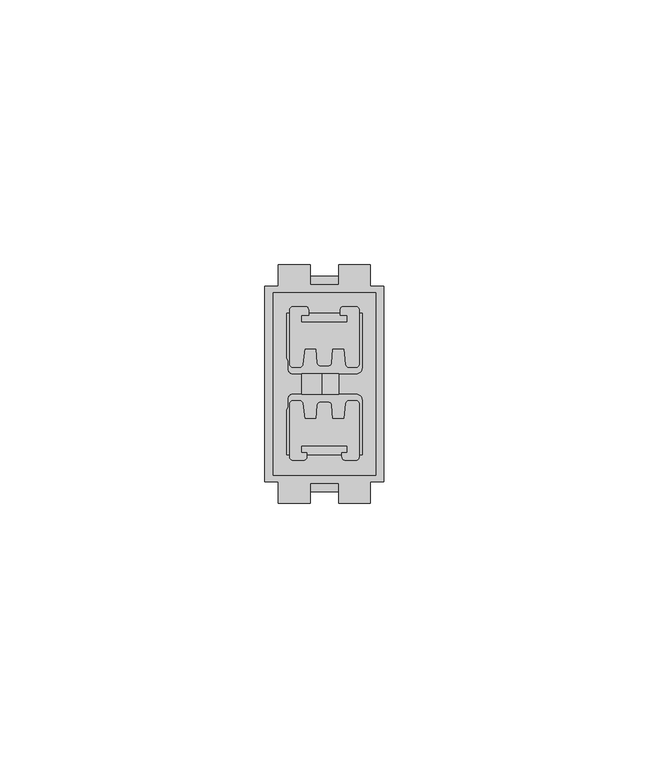
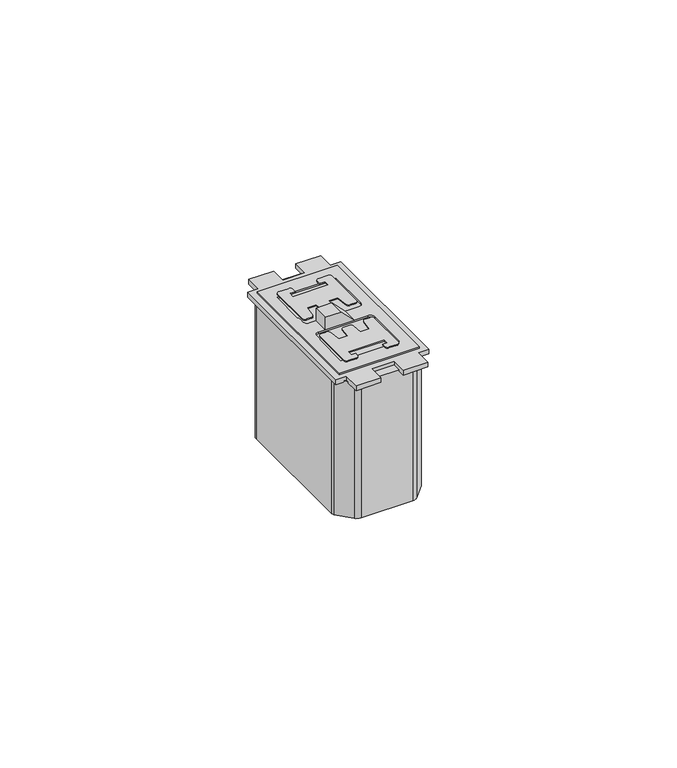
"""IFC4 building model written with IfcOpenShell, lengths in millimetres: proxy geometry."""

import ifcopenshell
import ifcopenshell.guid

model = None  # the IFC model being written
_history = None  # IfcOwnerHistory: only IFC2X3 demands one
_inside = {}  # id of a spatial element -> (the spatial element, [elements in it])
_under = {}  # id of a project, library or spatial element -> (it, [spatial elements below it])
_declared = {}  # id of a project -> (the project, [libraries it declares])
_typed = {}  # id of a type object -> (the type object, [elements of that type])
_made_of = {}  # id of a material, layer set ... -> (it, [elements and type objects made of it])


def new_model(schema):
    """Start an empty IFC model of exactly this schema.

    Asked for "IFC4X3", IfcOpenShell would pick the latest addendum, in which some entities
    have other attributes; the version numbers below select the first issue.
    IFC2X3 requires an IfcOwnerHistory on every rooted entity: one is made here for all.
    """
    global model, _history
    if schema == "IFC4X3":
        model = ifcopenshell.file(schema_version=(4, 3, 0, 0))
    else:
        model = ifcopenshell.file(schema=schema)
    _inside.clear()
    _under.clear()
    _declared.clear()
    _typed.clear()
    _made_of.clear()
    _history = None
    if model.schema == "IFC2X3":
        org = make("IfcOrganization", Name="unknown")
        user = make(
            "IfcPersonAndOrganization",
            ThePerson=make("IfcPerson", FamilyName="unknown"),
            TheOrganization=org,
        )
        app = make(
            "IfcApplication",
            ApplicationDeveloper=org,
            Version="unknown",
            ApplicationFullName="unknown",
            ApplicationIdentifier="unknown",
        )
        _history = make(
            "IfcOwnerHistory",
            OwningUser=user,
            OwningApplication=app,
            ChangeAction="ADDED",
            CreationDate=0,
        )
    return model


def make(cls, **values):
    """One entity of the class cls with the attributes given. An attribute that is None is left unset."""
    return model.create_entity(
        cls, **{name: value for name, value in values.items() if value is not None}
    )


def rooted(cls, **values):
    """An entity with a GlobalId (a new one), such as an element, a storey or a relation."""
    return make(cls, GlobalId=ifcopenshell.guid.new(), OwnerHistory=_history, **values)


def si_unit(unit_type, name, prefix=None):
    """IfcSIUnit, for example si_unit("LENGTHUNIT", "METRE", prefix="MILLI")."""
    return make("IfcSIUnit", UnitType=unit_type, Prefix=prefix, Name=name)


def assignment(units):
    """IfcUnitAssignment: the units of a project."""
    return None if units is None else make("IfcUnitAssignment", Units=units)


def point(xyz):
    """IfcCartesianPoint."""
    return None if xyz is None else make("IfcCartesianPoint", Coordinates=xyz)


def direction(xyz):
    """IfcDirection."""
    return None if xyz is None else make("IfcDirection", DirectionRatios=xyz)


def frame(location, z_axis=None, x_axis=None):
    """IfcAxis2Placement3D, a coordinate frame: its origin and axes. An axis left out is left unset."""
    return make(
        "IfcAxis2Placement3D",
        Location=point(location),
        Axis=direction(z_axis),
        RefDirection=direction(x_axis),
    )


def frame_2d(location, x_axis=None):
    """IfcAxis2Placement2D, a coordinate frame in the plane: its origin and x axis."""
    return make(
        "IfcAxis2Placement2D", Location=point(location), RefDirection=direction(x_axis)
    )


def origin():
    """The frame at (0, 0, 0) with its axes left unset."""
    return frame((0.0, 0.0, 0.0))


def origin_with_axes():
    """The frame at (0, 0, 0) with the z axis (0, 0, 1) and the x axis (1, 0, 0) written out."""
    return frame((0.0, 0.0, 0.0), z_axis=(0.0, 0.0, 1.0), x_axis=(1.0, 0.0, 0.0))


def place(relative_to, where):
    """IfcLocalPlacement: puts the frame where relative to a parent placement (None: the world)."""
    return make(
        "IfcLocalPlacement", PlacementRelTo=relative_to, RelativePlacement=where
    )


def context(
    kind, dimensions, precision=None, world=None, true_north=None, identifier=None
):
    """IfcGeometricRepresentationContext, for example the 3D "Model" context."""
    return make(
        "IfcGeometricRepresentationContext",
        ContextIdentifier=identifier,
        ContextType=kind,
        CoordinateSpaceDimension=dimensions,
        Precision=precision,
        WorldCoordinateSystem=world,
        TrueNorth=true_north,
    )


def project(units=None, contexts=None):
    """IfcProject with its units and contexts."""
    return rooted(
        "IfcProject",
        Name="project",
        RepresentationContexts=contexts,
        UnitsInContext=assignment(units),
    )


def spatial(cls, under=None, at=None, **own):
    """A site, building, storey or space (cls), placed at a placement, below another one or the project."""
    s = rooted(cls, ObjectPlacement=at, **own)
    if under is not None:
        _under.setdefault(under.id(), (under, []))[1].append(s)
    return s


def polyline(points):
    """IfcPolyline through the points."""
    return make("IfcPolyline", Points=[point(p) for p in points])


def circle_curve(where, radius):
    """IfcCircle in the frame where."""
    return make("IfcCircle", Position=where, Radius=radius)


def trimmed(basis, trim1, trim2, sense, master):
    """IfcTrimmedCurve: the piece of a basis curve between two trims."""
    return make(
        "IfcTrimmedCurve",
        BasisCurve=basis,
        Trim1=trim1,
        Trim2=trim2,
        SenseAgreement=sense,
        MasterRepresentation=master,
    )


def segment(curve, same_sense, transition):
    """IfcCompositeCurveSegment."""
    return make(
        "IfcCompositeCurveSegment",
        Transition=transition,
        SameSense=same_sense,
        ParentCurve=curve,
    )


def composite_curve(segments, self_intersect=None):
    """IfcCompositeCurve: segments joined end to end."""
    return make("IfcCompositeCurve", Segments=segments, SelfIntersect=self_intersect)


def outline(outer, holes=None, kind="AREA"):
    """IfcArbitraryClosedProfileDef: a profile drawn as a closed curve; with holes, ...WithVoids."""
    if holes is None:
        return make("IfcArbitraryClosedProfileDef", ProfileType=kind, OuterCurve=outer)
    return make(
        "IfcArbitraryProfileDefWithVoids",
        ProfileType=kind,
        OuterCurve=outer,
        InnerCurves=holes,
    )


def extrude(swept, where, along, depth):
    """IfcExtrudedAreaSolid: the profile swept, set in the frame where, extruded along a direction by depth."""
    return make(
        "IfcExtrudedAreaSolid",
        SweptArea=swept,
        Position=where,
        ExtrudedDirection=direction(along),
        Depth=depth,
    )


def shape(context_of_items, identifier, shape_type, items):
    """IfcShapeRepresentation: the items that make up one representation, for example the "Body"."""
    return make(
        "IfcShapeRepresentation",
        ContextOfItems=context_of_items,
        RepresentationIdentifier=identifier,
        RepresentationType=shape_type,
        Items=items,
    )


def source(mapping_origin, context_of_items, identifier, shape_type, items):
    """IfcRepresentationMap: a shape defined once, which mapped items show again and again."""
    return make(
        "IfcRepresentationMap",
        MappingOrigin=mapping_origin,
        MappedRepresentation=shape(context_of_items, identifier, shape_type, items),
    )


def transform(
    local_origin,
    x_axis=None,
    y_axis=None,
    z_axis=None,
    scale=None,
    scale2=None,
    scale3=None,
    uniform=True,
):
    """IfcCartesianTransformationOperator3D, or its non-uniform kind. x_axis, y_axis, z_axis: its Axis1, 2, 3."""
    if uniform:
        return make(
            "IfcCartesianTransformationOperator3D",
            Axis1=direction(x_axis),
            Axis2=direction(y_axis),
            LocalOrigin=point(local_origin),
            Scale=scale,
            Axis3=direction(z_axis),
        )
    return make(
        "IfcCartesianTransformationOperator3DnonUniform",
        Axis1=direction(x_axis),
        Axis2=direction(y_axis),
        LocalOrigin=point(local_origin),
        Scale=scale,
        Axis3=direction(z_axis),
        Scale2=scale2,
        Scale3=scale3,
    )


def mapped(mapping_source, mapping_target):
    """IfcMappedItem: shows the shape of a source again, moved by a transform."""
    return make(
        "IfcMappedItem", MappingSource=mapping_source, MappingTarget=mapping_target
    )


def made_of(thing, what):
    """Note that an element or type object is made of a material, layer set ...; save() writes the relation."""
    if what is not None:
        _made_of.setdefault(what.id(), (what, []))[1].append(thing)
    return thing


def element(
    cls,
    number,
    at=None,
    inside=None,
    cuts=None,
    type_object=None,
    material=None,
    context=None,
    identifier="Body",
    shape_type=None,
    held_by="IfcProductDefinitionShape",
    body=None,
    shapes=None,
    **own,
):
    """One element of the class cls, such as IfcWall. Its Tag is "e" and its number.

    at: its placement. inside: the storey or other place that contains it. cuts: it is an
    opening in that element (IfcRelVoidsElement). A single representation is given by context,
    identifier, shape_type and body (its items); several are given by shapes. held_by: the class
    of the entity that holds the representations. save() writes the other relations.
    """
    e = rooted(cls, Tag="e%d" % number, ObjectPlacement=at, **own)
    if body is not None:
        shapes = [shape(context, identifier, shape_type, body)]
    if shapes is not None:
        e.Representation = make(held_by, Representations=shapes)
    if inside is not None:
        _inside.setdefault(inside.id(), (inside, []))[1].append(e)
    if cuts is not None:
        rooted(
            "IfcRelVoidsElement", RelatingBuildingElement=cuts, RelatedOpeningElement=e
        )
    if type_object is not None:
        _typed.setdefault(type_object.id(), (type_object, []))[1].append(e)
    return made_of(e, material)


def aggregate(whole, parts):
    """IfcRelAggregates: a whole, such as a stair, and the parts it consists of."""
    return rooted("IfcRelAggregates", RelatingObject=whole, RelatedObjects=parts)


def save(model, path):
    """Write the relations noted so far, then the file.

    IfcRelAggregates (storeys below a building ...), IfcRelContainedInSpatialStructure (elements
    in a storey), IfcRelDefinesByType, IfcRelAssociatesMaterial and IfcRelDeclares: one each for
    every whole, place, type object, material and project.
    """
    for whole, parts in _under.values():
        aggregate(whole, parts)
    for where, things in _inside.values():
        rooted(
            "IfcRelContainedInSpatialStructure",
            RelatedElements=things,
            RelatingStructure=where,
        )
    for kind, things in _typed.values():
        rooted("IfcRelDefinesByType", RelatedObjects=things, RelatingType=kind)
    for what, things in _made_of.values():
        rooted("IfcRelAssociatesMaterial", RelatedObjects=things, RelatingMaterial=what)
    for by, libraries in _declared.values():
        rooted("IfcRelDeclares", RelatingContext=by, RelatedDefinitions=libraries)
    model.write(path)


def electrical_fixtures_3d863ec4(model_context):
    return source(origin(), model_context, "Body", "SweptSolid", [
        extrude(outline(polyline([(4.75, 7.0021845), (1.5736937, 7.0021845), (1.5736937, 13.9893543), (4.75, 10.813048), (4.75, 7.0021845)])), frame((0.0, 20.5776042, 0.0), z_axis=(0.0, 1.0, 0.0), x_axis=(0.0, 0.0, 1.0)), (0.0, 0.0, 1.0), 3.8447917),
        extrude(outline(composite_curve([segment(trimmed(circle_curve(frame_2d((5.2789012, 18.7487029)), 0.6009646), [point((4.6779366, 18.7487029))], [point((5.2789012, 19.3496676))], False, "CARTESIAN"), True, "CONTINUOUS"), segment(polyline([(5.2789012, 19.3496676), (6.560814, 19.3496676)]), True, "CONTINUOUS"), segment(trimmed(circle_curve(frame_2d((6.560814, 18.7099915)), 0.639676), [point((6.560814, 19.3496676))], [point((7.1814889, 18.8647431))], False, "CARTESIAN"), True, "CONTINUOUS"), segment(polyline([(7.1814889, 18.8647431), (7.546549, 15.8915672), (9.7492399, 15.8915672), (9.9342949, 18.5379774)]), True, "CONTINUOUS"), segment(trimmed(circle_curve(frame_2d((10.5204569, 18.4555977)), 0.5919226), [point((9.9342949, 18.5379774))], [point((10.5204569, 19.0475203))], False, "CARTESIAN"), True, "CONTINUOUS"), segment(polyline([(10.5204569, 19.0475203), (11.9795431, 19.0475203)]), True, "CONTINUOUS"), segment(trimmed(circle_curve(frame_2d((11.9795431, 18.4555977)), 0.5919226), [point((11.9795431, 19.0475203))], [point((12.5657051, 18.5379774))], False, "CARTESIAN"), True, "CONTINUOUS"), segment(polyline([(12.5657051, 18.5379774), (12.7507601, 15.8915672), (14.953451, 15.8915672), (15.3185111, 18.8647431)]), True, "CONTINUOUS"), segment(trimmed(circle_curve(frame_2d((15.939186, 18.7099915)), 0.639676), [point((15.3185111, 18.8647431))], [point((15.939186, 19.3496676))], False, "CARTESIAN"), True, "CONTINUOUS"), segment(polyline([(15.939186, 19.3496676), (17.2210988, 19.3496676)]), True, "CONTINUOUS"), segment(trimmed(circle_curve(frame_2d((17.2210988, 18.7487029)), 0.6009646), [point((17.2210988, 19.3496676))], [point((17.8220634, 18.7487029))], False, "CARTESIAN"), True, "CONTINUOUS"), segment(polyline([(17.8220634, 18.7487029), (17.8220634, 8.7498452)]), True, "CONTINUOUS"), segment(trimmed(circle_curve(frame_2d((17.194614, 8.7498452)), 0.6274493), [point((17.8220634, 8.7498452))], [point((17.194614, 8.1223958))], False, "CARTESIAN"), True, "CONTINUOUS"), segment(polyline([(17.194614, 8.1223958), (15.1791727, 8.1223958)]), True, "CONTINUOUS"), segment(trimmed(circle_curve(frame_2d((15.1791727, 8.736603)), 0.6142071), [point((15.1791727, 8.1223958))], [point((14.5649656, 8.736603))], False, "CARTESIAN"), True, "CONTINUOUS"), segment(polyline([(14.5649656, 8.736603), (14.5649656, 9.5309866), (15.5879276, 9.5309866), (15.5879276, 10.8291823), (6.9120724, 10.8291823), (6.9120724, 9.5309866), (7.9350344, 9.5309866), (7.9350344, 8.736603)]), True, "CONTINUOUS"), segment(trimmed(circle_curve(frame_2d((7.3208273, 8.736603)), 0.6142071), [point((7.9350344, 8.736603))], [point((7.3208273, 8.1223958))], False, "CARTESIAN"), True, "CONTINUOUS"), segment(polyline([(7.3208273, 8.1223958), (5.305386, 8.1223958)]), True, "CONTINUOUS"), segment(trimmed(circle_curve(frame_2d((5.305386, 8.7498452)), 0.6274493), [point((5.305386, 8.1223958))], [point((4.6779366, 8.7498452))], False, "CARTESIAN"), True, "CONTINUOUS"), segment(polyline([(4.6779366, 8.7498452), (4.6779366, 18.7487029)]), True, "CONTINUOUS")], self_intersect=False)), frame((0.0, 0.0, 1.5736937), z_axis=(0.0, 0.0, 1.0), x_axis=(1.0, 0.0, 0.0)), (0.0, 0.0, 1.0), 0.2763063),
        extrude(outline(composite_curve([segment(polyline([(4.6779366, 26.2512971), (4.6779366, 36.4949465)]), True, "CONTINUOUS"), segment(trimmed(circle_curve(frame_2d((5.305386, 36.4949465)), 0.6274493), [point((4.6779366, 36.4949465))], [point((5.305386, 37.1223958))], False, "CARTESIAN"), True, "CONTINUOUS"), segment(polyline([(5.305386, 37.1223958), (7.6357929, 37.1223958)]), True, "CONTINUOUS"), segment(trimmed(circle_curve(frame_2d((7.6357929, 36.5081887)), 0.6142071), [point((7.6357929, 37.1223958))], [point((8.25, 36.5081887))], False, "CARTESIAN"), True, "CONTINUOUS"), segment(polyline([(8.25, 36.5081887), (8.25, 35.4690134), (6.9120724, 35.4690134), (6.9120724, 34.1708177), (15.5879276, 34.1708177), (15.5879276, 35.4690134), (14.25, 35.4690134), (14.25, 36.5081887)]), True, "CONTINUOUS"), segment(trimmed(circle_curve(frame_2d((14.8642071, 36.5081887)), 0.6142071), [point((14.25, 36.5081887))], [point((14.8642071, 37.1223958))], False, "CARTESIAN"), True, "CONTINUOUS"), segment(polyline([(14.8642071, 37.1223958), (17.194614, 37.1223958)]), True, "CONTINUOUS"), segment(trimmed(circle_curve(frame_2d((17.194614, 36.4949465)), 0.6274493), [point((17.194614, 37.1223958))], [point((17.8220634, 36.4949465))], False, "CARTESIAN"), True, "CONTINUOUS"), segment(polyline([(17.8220634, 36.4949465), (17.8220634, 26.2512971)]), True, "CONTINUOUS"), segment(trimmed(circle_curve(frame_2d((17.2210988, 26.2512971)), 0.6009646), [point((17.8220634, 26.2512971))], [point((17.2210988, 25.6503324))], False, "CARTESIAN"), True, "CONTINUOUS"), segment(polyline([(17.2210988, 25.6503324), (15.939186, 25.6503324)]), True, "CONTINUOUS"), segment(trimmed(circle_curve(frame_2d((15.939186, 26.2900085)), 0.639676), [point((15.939186, 25.6503324))], [point((15.3185111, 26.1352569))], False, "CARTESIAN"), True, "CONTINUOUS"), segment(polyline([(15.3185111, 26.1352569), (14.953451, 29.1084328), (12.7507601, 29.1084328), (12.5657051, 26.4620226)]), True, "CONTINUOUS"), segment(trimmed(circle_curve(frame_2d((11.9795431, 26.5444023)), 0.5919226), [point((12.5657051, 26.4620226))], [point((11.9795431, 25.9524797))], False, "CARTESIAN"), True, "CONTINUOUS"), segment(polyline([(11.9795431, 25.9524797), (10.5204569, 25.9524797)]), True, "CONTINUOUS"), segment(trimmed(circle_curve(frame_2d((10.5204569, 26.5444023)), 0.5919226), [point((10.5204569, 25.9524797))], [point((9.9342949, 26.4620226))], False, "CARTESIAN"), True, "CONTINUOUS"), segment(polyline([(9.9342949, 26.4620226), (9.7492399, 29.1084328), (7.546549, 29.1084328), (7.1814889, 26.1352569)]), True, "CONTINUOUS"), segment(trimmed(circle_curve(frame_2d((6.560814, 26.2900085)), 0.639676), [point((7.1814889, 26.1352569))], [point((6.560814, 25.6503324))], False, "CARTESIAN"), True, "CONTINUOUS"), segment(polyline([(6.560814, 25.6503324), (5.2789012, 25.6503324)]), True, "CONTINUOUS"), segment(trimmed(circle_curve(frame_2d((5.2789012, 26.2512971)), 0.6009646), [point((5.2789012, 25.6503324))], [point((4.6779366, 26.2512971))], False, "CARTESIAN"), True, "CONTINUOUS")], self_intersect=False)), frame((0.0, 0.0, 1.5736937), z_axis=(0.0, 0.0, 1.0), x_axis=(1.0, 0.0, 0.0)), (0.0, 0.0, 1.0), 0.2763063),
        extrude(outline(polyline([(20.9310809, 39.7046168), (20.9310809, 5.2953832), (1.5689191, 5.2953832), (1.5689191, 39.7046168), (20.9310809, 39.7046168)]), holes=[composite_curve([segment(trimmed(circle_curve(frame_2d((2.700367, 26.4323958)), 1.7182136), [point((4.15, 27.3547961))], [point((4.4185806, 26.4323958))], False, "CARTESIAN"), True, "CONTINUOUS"), segment(polyline([(4.4185806, 26.4323958), (4.4185806, 25.2872263)]), True, "CONTINUOUS"), segment(trimmed(circle_curve(frame_2d((5.283411, 25.2872263)), 0.8648304), [point((4.4185806, 25.2872263))], [point((5.283411, 24.4223958))], True, "CARTESIAN"), True, "CONTINUOUS"), segment(polyline([(5.283411, 24.4223958), (17.2495844, 24.4223958)]), True, "CONTINUOUS"), segment(trimmed(circle_curve(frame_2d((17.2495844, 25.5228114)), 1.1004156), [point((17.2495844, 24.4223958))], [point((18.35, 25.5228114))], True, "CARTESIAN"), True, "CONTINUOUS"), segment(polyline([(18.35, 25.5228114), (18.35, 35.8223958), (4.15, 35.8223958), (4.15, 27.3547961)]), True, "CONTINUOUS")], self_intersect=False), composite_curve([segment(polyline([(4.15, 17.6452039), (4.15, 9.1776042), (18.35, 9.1776042), (18.35, 19.4771886)]), True, "CONTINUOUS"), segment(trimmed(circle_curve(frame_2d((17.2495844, 19.4771886)), 1.1004156), [point((18.35, 19.4771886))], [point((17.2495844, 20.5776042))], True, "CARTESIAN"), True, "CONTINUOUS"), segment(polyline([(17.2495844, 20.5776042), (5.283411, 20.5776042)]), True, "CONTINUOUS"), segment(trimmed(circle_curve(frame_2d((5.283411, 19.7127737)), 0.8648304), [point((5.283411, 20.5776042))], [point((4.4185806, 19.7127737))], True, "CARTESIAN"), True, "CONTINUOUS"), segment(polyline([(4.4185806, 19.7127737), (4.4185806, 18.5676042)]), True, "CONTINUOUS"), segment(trimmed(circle_curve(frame_2d((2.700367, 18.5676042)), 1.7182136), [point((4.4185806, 18.5676042))], [point((4.15, 17.6452039))], False, "CARTESIAN"), True, "CONTINUOUS")], self_intersect=False)]), frame((0.0, 0.0, 1.1865762), z_axis=(0.0, 0.0, 1.0), x_axis=(1.0, 0.0, 0.0)), (0.0, 0.0, 1.0), 0.3871175),
        extrude(outline(composite_curve([segment(trimmed(circle_curve(frame_2d((22.9785709, 22.0163771)), 28.0250427), [point((0.6708855, 38.9801677))], [point((3.6496058, 42.3090883))], False, "CARTESIAN"), True, "CONTINUOUS"), segment(trimmed(circle_curve(frame_2d((5.0058625, 40.8852084)), 1.9664349), [point((3.6496058, 42.3090883))], [point((5.0058625, 42.8516432))], False, "CARTESIAN"), True, "CONTINUOUS"), segment(polyline([(5.0058625, 42.8516432), (17.4941375, 42.8516432)]), True, "CONTINUOUS"), segment(trimmed(circle_curve(frame_2d((17.4941375, 40.8852084)), 1.9664349), [point((17.4941375, 42.8516432))], [point((18.8503942, 42.3090883))], False, "CARTESIAN"), True, "CONTINUOUS"), segment(trimmed(circle_curve(frame_2d((-0.4785709, 22.0163771)), 28.0250427), [point((18.8503942, 42.3090883))], [point((21.8291145, 38.9801677))], False, "CARTESIAN"), True, "CONTINUOUS"), segment(trimmed(circle_curve(frame_2d((20.8665201, 38.2481666)), 1.2093029), [point((21.8291145, 38.9801677))], [point((22.075823, 38.2481666))], False, "CARTESIAN"), True, "CONTINUOUS"), segment(polyline([(22.075823, 38.2481666), (22.075823, 6.7518334)]), True, "CONTINUOUS"), segment(trimmed(circle_curve(frame_2d((20.8665201, 6.7518334)), 1.2093029), [point((22.075823, 6.7518334))], [point((21.8291145, 6.0198323))], False, "CARTESIAN"), True, "CONTINUOUS"), segment(trimmed(circle_curve(frame_2d((-0.4785709, 22.9836229)), 28.0250427), [point((21.8291145, 6.0198323))], [point((18.8503942, 2.6909117))], False, "CARTESIAN"), True, "CONTINUOUS"), segment(trimmed(circle_curve(frame_2d((17.4941375, 4.1147916)), 1.9664349), [point((18.8503942, 2.6909117))], [point((17.4941375, 2.1483568))], False, "CARTESIAN"), True, "CONTINUOUS"), segment(polyline([(17.4941375, 2.1483568), (5.0058625, 2.1483568)]), True, "CONTINUOUS"), segment(trimmed(circle_curve(frame_2d((5.0058625, 4.1147916)), 1.9664349), [point((5.0058625, 2.1483568))], [point((3.6496058, 2.6909117))], False, "CARTESIAN"), True, "CONTINUOUS"), segment(trimmed(circle_curve(frame_2d((22.9785709, 22.9836229)), 28.0250427), [point((3.6496058, 2.6909117))], [point((0.6708855, 6.0198323))], False, "CARTESIAN"), True, "CONTINUOUS"), segment(trimmed(circle_curve(frame_2d((1.6334799, 6.7518334)), 1.2093029), [point((0.6708855, 6.0198323))], [point((0.424177, 6.7518334))], False, "CARTESIAN"), True, "CONTINUOUS"), segment(polyline([(0.424177, 6.7518334), (0.424177, 38.2481666)]), True, "CONTINUOUS"), segment(trimmed(circle_curve(frame_2d((1.6334799, 38.2481666)), 1.2093029), [point((0.424177, 38.2481666))], [point((0.6708855, 38.9801677))], False, "CARTESIAN"), True, "CONTINUOUS")], self_intersect=False)), frame((0.0, 0.0, -34.75), z_axis=(0.0, 0.0, 1.0), x_axis=(1.0, 0.0, 0.0)), (0.0, 0.0, 1.0), 34.75),
        extrude(outline(polyline([(0.0, 4.0), (0.0, 41.0), (2.55, 41.0), (2.55, 45.0), (8.5381171, 45.0), (8.5381171, 41.2139641), (13.9618829, 41.2139641), (13.9618829, 45.0), (19.95, 45.0), (19.95, 41.0), (22.5, 41.0), (22.5, 4.0), (19.95, 4.0), (19.95, 0.0), (13.9618829, 0.0), (13.9618829, 3.7860359), (8.5381171, 3.7860359), (8.5381171, 0.0), (2.55, 0.0), (2.55, 4.0), (0.0, 4.0)])), origin_with_axes(), (0.0, 0.0, 1.0), 1.1865762),
    ])


if __name__ == "__main__":
    model = new_model("IFC4")
    model_context = context("Model", 3, world=origin())
    ifc_project = project(units=[si_unit("LENGTHUNIT", "METRE", prefix="MILLI")], contexts=[model_context])
    site = spatial("IfcSite", under=ifc_project)
    building = spatial("IfcBuilding", under=site)
    placement = place(None, origin())
    electrical_fixtures_shape = electrical_fixtures_3d863ec4(model_context)
    element("IfcBuildingElementProxy", 1, Name="Electrical Fixtures", at=placement, inside=building, context=model_context, shape_type="MappedRepresentation", body=[
        mapped(electrical_fixtures_shape, transform((0.0, 0.0, 0.0), x_axis=(1.0, 0.0, 0.0), y_axis=(0.0, 1.0, 0.0), z_axis=(0.0, 0.0, 1.0))),
    ])
    save(model, "model.ifc")
